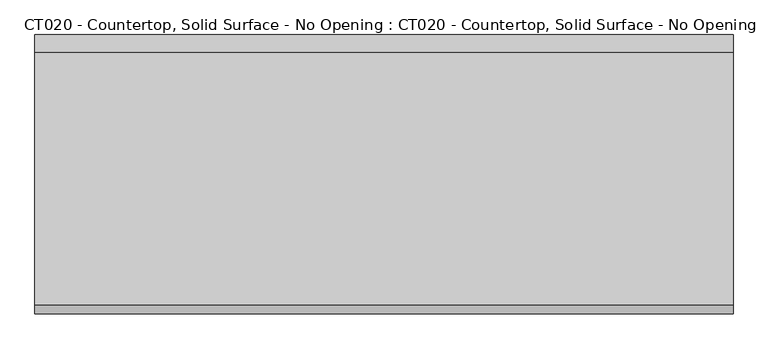
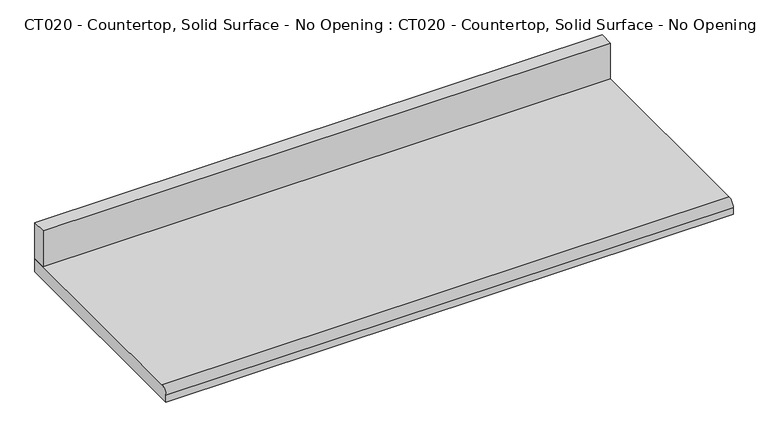
"""IFC4 building model written with IfcOpenShell, lengths in millimetres: proxy geometry, CT020 - Countertop, Solid Surface - No Opening : CT020 - Countertop, Solid Surface - No Opening."""

from ifc_helpers import new_model, si_unit, point, frame, frame_2d, origin, place, context, project, spatial, polyline, circle_curve, trimmed, segment, composite_curve, outline, extrude, source, transform, mapped, element, save


def ct020_countertop_solid_surface_no_opening_ct020_countertop_9887f39e(model_context):
    return source(origin(), model_context, "Body", "SweptSolid", [
        extrude(outline(polyline([(-762.0, 266.7), (-762.0, 304.8), (762.0, 304.8), (762.0, 266.7), (-762.0, 266.7)])), frame((0.0, 0.0, 863.6), z_axis=(0.0, 0.0, 1.0), x_axis=(1.0, 0.0, 0.0)), (0.0, 0.0, 1.0), 101.6),
        extrude(outline(composite_curve([segment(polyline([(-285.75, 863.6), (304.8, 863.6), (304.8, 825.5), (-304.8, 825.5), (-304.8, 844.55)]), True, "CONTINUOUS"), segment(trimmed(circle_curve(frame_2d((-285.75, 844.55)), 19.05), [point((-304.8, 844.55))], [point((-285.75, 863.6))], False, "CARTESIAN"), True, "CONTINUOUS")], self_intersect=False)), frame((-762.0, 0.0, 0.0), z_axis=(1.0, 0.0, 0.0), x_axis=(0.0, 1.0, 0.0)), (0.0, 0.0, 1.0), 1524.0),
    ])


if __name__ == "__main__":
    model = new_model("IFC4")
    model_context = context("Model", 3, world=origin())
    ifc_project = project(units=[si_unit("LENGTHUNIT", "METRE", prefix="MILLI")], contexts=[model_context])
    site = spatial("IfcSite", under=ifc_project)
    building = spatial("IfcBuilding", under=site)
    placement = place(None, origin())
    ct020_countertop_solid_surface_no_opening_ct020_countertop_shape = ct020_countertop_solid_surface_no_opening_ct020_countertop_9887f39e(model_context)
    element("IfcBuildingElementProxy", 1, Name="CT020 - Countertop, Solid Surface - No Opening : CT020 - Countertop, Solid Surface - No Opening", ObjectType="CT020 - Countertop, Solid Surface - No Opening : CT020 - Countertop, Solid Surface - No Opening", at=placement, inside=building, context=model_context, shape_type="MappedRepresentation", body=[
        mapped(ct020_countertop_solid_surface_no_opening_ct020_countertop_shape, transform((0.0, 0.0, 0.0), x_axis=(1.0, 0.0, 0.0), y_axis=(0.0, 1.0, 0.0), z_axis=(0.0, 0.0, 1.0))),
    ])
    save(model, "model.ifc")
